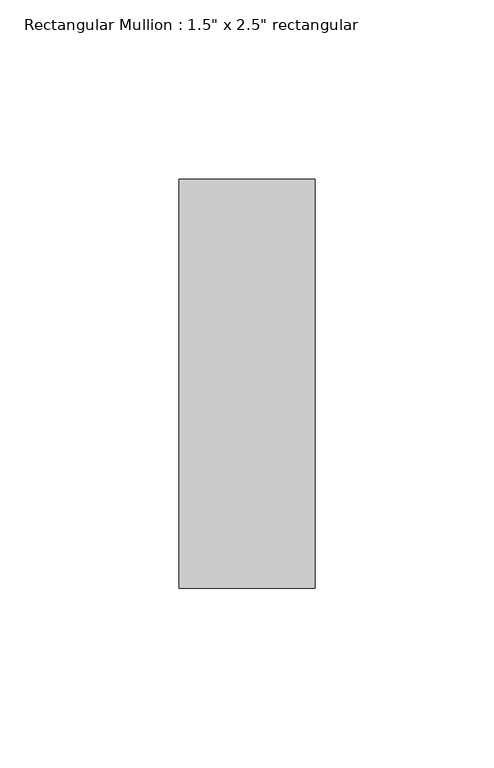
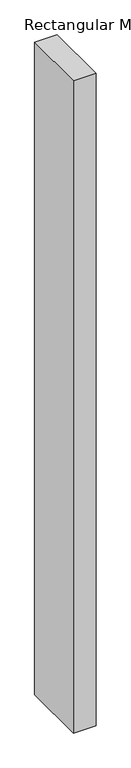
"""IFC4 building model written with IfcOpenShell, lengths in millimetres: member geometry."""

from ifc_helpers import new_model, si_unit, frame, origin, place, context, project, spatial, polyline, outline, extrude, source, transform, mapped, element, save


def member_34d967aa(model_context):
    return source(origin(), model_context, "Body", "SweptSolid", [
        extrude(outline(polyline([(0.0, 57.15), (0.0, -57.15), (-38.1, -57.15), (-38.1, 57.15), (0.0, 57.15)])), frame((0.0, 0.0, -1173.1625), z_axis=(0.0, 0.0, 1.0), x_axis=(1.0, 0.0, 0.0)), (0.0, 0.0, 1.0), 1173.1625),
    ])


if __name__ == "__main__":
    model = new_model("IFC4")
    model_context = context("Model", 3, world=origin())
    ifc_project = project(units=[si_unit("LENGTHUNIT", "METRE", prefix="MILLI")], contexts=[model_context])
    site = spatial("IfcSite", under=ifc_project)
    building = spatial("IfcBuilding", under=site)
    placement = place(None, origin())
    member_shape = member_34d967aa(model_context)
    element("IfcMember", 1, ObjectType="Rectangular Mullion : 1.5\" x 2.5\" rectangular", at=placement, inside=building, context=model_context, shape_type="MappedRepresentation", body=[
        mapped(member_shape, transform((0.0, 0.0, 0.0), x_axis=(1.0, 0.0, 0.0), y_axis=(0.0, 1.0, 0.0), z_axis=(0.0, 0.0, 1.0))),
    ])
    save(model, "model.ifc")
